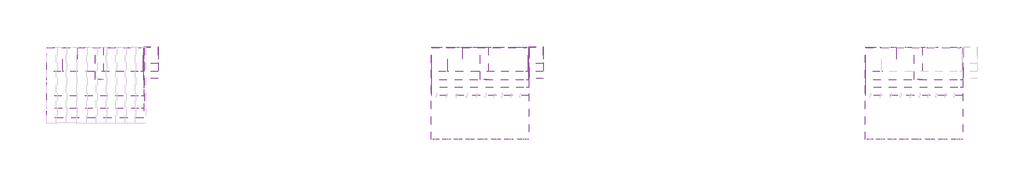
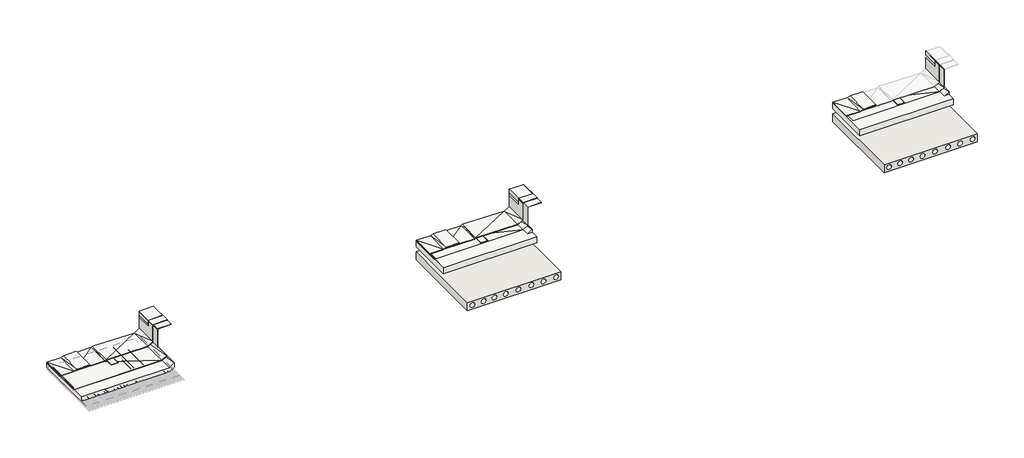
# One storey, part 1 of 2: 22 slabs, 11 walls, 1 covering.
"""IFC4 building model written with IfcOpenShell, lengths in millimetres."""

from ifc_helpers import new_model, si_unit, point, frame, frame_2d, origin, place, context, project, spatial, polyline, circle_curve, trimmed, segment, composite_curve, outline, extrude, faceted_brep, element, save

model = new_model("IFC4")

# Units and contexts
model_context = context("Model", 3, world=origin())
ifc_project = project(units=[si_unit("LENGTHUNIT", "METRE", prefix="MILLI")], contexts=[model_context])

# Site, building, storey
site = spatial("IfcSite", under=ifc_project)
building = spatial("IfcBuilding", under=site)
storey = spatial("IfcBuildingStorey", under=building, Elevation=0.0)

# Covering
placement = place(None, origin())
element("IfcCovering", 1, at=placement, inside=storey, context=model_context, shape_type="SweptSolid", body=[
    extrude(outline(polyline([(-14927.9698848, 9389.2447161), (-14927.9698848, 13789.2447161), (-8927.9698848, 13789.2447161), (-8927.9698848, 9389.2447161), (-14927.9698848, 9389.2447161)])), frame((0.0, 0.0, 2812.7066929), z_axis=(0.0, 0.0, 1.0), x_axis=(1.0, 0.0, 0.0)), (0.0, 0.0, 1.0), 14.0),
])

# Slabs
element("IfcSlab", 2, at=placement, inside=storey, context=model_context, shape_type="SweptSolid", body=[
    extrude(outline(polyline([(8835.4090394, 10769.2447161), (8835.4090394, 13769.2447161), (14835.4090394, 13769.2447161), (14835.4090394, 10769.2447161), (8835.4090394, 10769.2447161)])), frame((0.0, 0.0, 2689.492241), z_axis=(0.0, 0.0, 1.0), x_axis=(1.0, 0.0, 0.0)), (0.0, 0.0, 1.0), 400.0),
])
element("IfcSlab", 3, at=placement, inside=storey, context=model_context, shape_type="Brep", body=[
    faceted_brep([(8855.4090394, 13765.0643227, 2785.645861), (8855.4090394, 13765.0643227, 3085.645861), (14532.7395838, 13765.0643227, 3085.645861), (14855.4090394, 13765.0643227, 3265.645861), (14855.4090394, 13765.0643227, 2965.645861), (14532.7395838, 13765.0643227, 2785.645861), (14855.4090394, 11265.0643227, 3280.913375), (14855.4090394, 11265.0643227, 2980.913375), (14532.7395838, 11265.0643227, 3085.645861), (8855.4090394, 11265.0643227, 3085.645861), (8855.4090394, 11265.0643227, 2785.645861), (14532.7395838, 11265.0643227, 2785.645861)], [[[0, 1, 2, 3, 4, 5]], [[4, 3, 6, 7]], [[7, 6, 8, 9, 10, 11]], [[10, 9, 1, 0]], [[9, 8, 2, 1]], [[10, 0, 5, 11]], [[6, 3, 2]], [[6, 2, 8]], [[7, 5, 4]], [[7, 11, 5]]]),
])
element("IfcSlab", 4, at=placement, inside=storey, context=model_context, shape_type="Brep", body=[
    faceted_brep([(8835.4090394, 13746.0209417, 3078.492241), (8835.4090394, 13746.0209417, 3089.492241), (14511.4733946, 13746.0209417, 3089.492241), (14835.4090394, 13746.0209417, 3271.0184603), (14835.4090394, 13746.0209417, 3260.0184603), (14511.4733946, 13746.0209417, 3078.492241), (14835.4090394, 11746.0209417, 3296.0960774), (14835.4090394, 11746.0209417, 3285.0960774), (14511.4733946, 11746.0209417, 3106.0960774), (8835.4090394, 11746.0209417, 3089.492241), (8835.4090394, 11746.0209417, 3078.492241), (14511.4733946, 11746.0209417, 3095.0960774)], [[[0, 1, 2, 3, 4, 5]], [[4, 3, 6, 7]], [[7, 6, 8, 9, 10, 11]], [[10, 9, 1, 0]], [[9, 8, 1]], [[10, 0, 11]], [[6, 3, 2]], [[7, 5, 4]], [[6, 2, 8]], [[7, 11, 5]], [[1, 8, 2]], [[0, 5, 11]]]),
])
element("IfcSlab", 5, at=placement, inside=storey, context=model_context, shape_type="SweptSolid", body=[
    extrude(outline(polyline([(14835.4090394, 13817.1364417), (15735.4090394, 13817.1364417), (15735.4090394, 11817.1364417), (14835.4090394, 11817.1364417), (14835.4090394, 13817.1364417)])), frame((0.0, 0.0, 4471.3880309), z_axis=(0.0, 0.0, 1.0), x_axis=(1.0, 0.0, 0.0)), (0.0, 0.0, 1.0), 11.0),
])
element("IfcSlab", 6, at=placement, inside=storey, context=model_context, shape_type="Brep", body=[
    faceted_brep([(11835.4090394, 13769.2447161, 3107.4958172), (11835.4090394, 13769.2447161, 3118.4958172), (12249.2992075, 13769.2447161, 3118.4958172), (12335.4090394, 13769.2447161, 3084.492241), (12335.4090394, 13769.2447161, 3073.492241), (12249.2992075, 13769.2447161, 3107.4958172), (12335.4090394, 11769.2447161, 3094.7308109), (12335.4090394, 11769.2447161, 3083.7308109), (12249.2992075, 11769.2447161, 3118.4958172), (11835.4090394, 11769.2447161, 3118.4958172), (11835.4090394, 11769.2447161, 3107.4958172), (12249.2992075, 11769.2447161, 3107.4958172)], [[[0, 1, 2, 3, 4, 5]], [[4, 3, 6, 7]], [[7, 6, 8, 9, 10, 11]], [[10, 9, 1, 0]], [[9, 8, 2, 1]], [[10, 0, 5, 11]], [[6, 3, 8]], [[7, 11, 4]], [[3, 2, 8]], [[4, 11, 5]]]),
])
element("IfcSlab", 7, at=placement, inside=storey, context=model_context, shape_type="Brep", body=[
    faceted_brep([(9835.4090394, 13769.2447161, 3093.4958172), (9835.4090394, 13769.2447161, 3123.4958172), (11713.5480182, 13769.2447161, 3128.8674458), (11789.6551049, 13769.2447161, 3182.3981693), (14487.0088743, 13769.2447161, 3138.4958172), (14835.4090394, 13769.2447161, 3363.4958172), (14835.4090394, 13769.2447161, 3333.4958172), (14487.0088743, 13769.2447161, 3108.4958172), (11789.6551049, 13769.2447161, 3152.3981693), (11713.5480182, 13769.2447161, 3098.8674458), (14835.4090394, 12269.2447161, 3358.4958172), (14835.4090394, 12269.2447161, 3328.4958172), (14487.0088742, 12269.2447161, 3150.4261514), (11805.9231557, 12269.2447161, 3177.1635448), (11713.5480182, 12269.2447161, 3138.4958172), (9835.4090394, 12269.2447161, 3143.4958172), (9835.4090394, 12269.2447161, 3113.4958172), (11713.5480182, 12269.2447161, 3108.4958172), (11805.9231557, 12269.2447161, 3147.1635448), (14487.0088742, 12269.2447161, 3120.4261514)], [[[0, 1, 2, 3, 4, 5, 6, 7, 8, 9]], [[6, 5, 10, 11]], [[11, 10, 12, 13, 14, 15, 16, 17, 18, 19]], [[16, 15, 1, 0]], [[15, 14, 2]], [[16, 9, 17]], [[15, 2, 1]], [[10, 5, 4]], [[16, 0, 9]], [[11, 7, 6]], [[14, 13, 3]], [[17, 8, 18]], [[12, 4, 13]], [[19, 18, 7]], [[10, 4, 12]], [[11, 19, 7]], [[4, 3, 13]], [[7, 18, 8]], [[14, 3, 2]], [[17, 9, 8]]]),
])
element("IfcSlab", 8, at=placement, inside=storey, context=model_context, shape_type="SweptSolid", body=[
    extrude(outline(polyline([(14805.4090394, 13769.2447161), (15745.4090394, 13769.2447161), (15745.4090394, 12269.2447161), (14805.4090394, 12269.2447161), (14805.4090394, 13769.2447161)])), frame((0.0, 0.0, 4473.4902066), z_axis=(0.0, 0.0, 1.0), x_axis=(1.0, 0.0, 0.0)), (0.0, 0.0, 1.0), 30.0),
])
element("IfcSlab", 9, at=placement, inside=storey, context=model_context, shape_type="SweptSolid", body=[
    extrude(outline(polyline([(14805.4090394, 13769.2447161), (15705.4090394, 13769.2447161), (15705.4090394, 12769.2447161), (14805.4090394, 12769.2447161), (14805.4090394, 13769.2447161)])), frame((0.0, 0.0, 4118.4958172), z_axis=(0.0, 0.0, 1.0), x_axis=(1.0, 0.0, 0.0)), (0.0, 0.0, 1.0), 400.0),
])
element("IfcSlab", 10, at=placement, inside=storey, context=model_context, shape_type="Brep", body=[
    faceted_brep([(10735.4090394, 12269.2447161, 3168.4958172), (10735.4090394, 12269.2447161, 3198.4958172), (9902.4172289, 12269.2447161, 3198.4958172), (9713.9671645, 12269.2447161, 3128.4958172), (8835.4090394, 12269.2447161, 3123.4958172), (8835.4090394, 12269.2447161, 3093.4958172), (9713.9671645, 12269.2447161, 3098.4958172), (9902.4172289, 12269.2447161, 3168.4958172), (8835.4090394, 13769.2447161, 3123.4958172), (8835.4090394, 13769.2447161, 3093.4958172), (9757.9745418, 13769.2447161, 3123.4958172), (9939.073186, 13769.2447161, 3203.4958172), (10735.4090394, 13769.2447161, 3203.4958172), (10735.4090394, 13769.2447161, 3173.4958172), (9939.073186, 13769.2447161, 3173.4958172), (9757.9745418, 13769.2447161, 3093.4958172)], [[[0, 1, 2, 3, 4, 5, 6, 7]], [[5, 4, 8, 9]], [[9, 8, 10, 11, 12, 13, 14, 15]], [[13, 12, 1, 0]], [[12, 11, 2, 1]], [[13, 0, 7, 14]], [[8, 4, 3]], [[8, 3, 10]], [[3, 2, 10]], [[9, 6, 5]], [[9, 15, 6]], [[6, 15, 7]], [[10, 2, 11]], [[15, 14, 7]]]),
])
element("IfcSlab", 11, at=placement, inside=storey, context=model_context, shape_type="Brep", body=[
    faceted_brep([(-14924.9802693, 13765.0643227, 2822.1500438), (-14924.9802693, 13765.0643227, 3122.1500438), (-9247.6497248, 13765.0643227, 3122.1500438), (-8924.9802693, 13765.0643227, 3302.1500438), (-8924.9802693, 13765.0643227, 3002.1500438), (-9247.6497248, 13765.0643227, 2822.1500438), (-8924.9802693, 9965.0643227, 3317.4175578), (-8924.9802693, 9965.0643227, 3017.4175578), (-9247.6497248, 9965.0643227, 3122.1500438), (-14924.9802693, 9965.0643227, 3122.1500438), (-14924.9802693, 9965.0643227, 2822.1500438), (-9247.6497248, 9965.0643227, 2822.1500438)], [[[0, 1, 2, 3, 4, 5]], [[4, 3, 6, 7]], [[7, 6, 8, 9, 10, 11]], [[10, 9, 1, 0]], [[9, 8, 2, 1]], [[10, 0, 5, 11]], [[6, 3, 2]], [[6, 2, 8]], [[7, 5, 4]], [[7, 11, 5]]]),
])
element("IfcSlab", 12, at=placement, inside=storey, context=model_context, shape_type="Brep", body=[
    faceted_brep([(-14944.9802693, 13746.0209417, 3114.9964238), (-14944.9802693, 13746.0209417, 3125.9964238), (-9268.915914, 13746.0209417, 3125.9964238), (-8944.9802693, 13746.0209417, 3307.5226431), (-8944.9802693, 13746.0209417, 3296.5226431), (-9268.915914, 13746.0209417, 3114.9964238), (-8944.9802693, 10746.0209417, 3332.6002602), (-8944.9802693, 10746.0209417, 3321.6002602), (-9268.915914, 10746.0209417, 3142.6002602), (-14944.9802693, 10746.0209417, 3125.9964238), (-14944.9802693, 10746.0209417, 3114.9964238), (-9268.915914, 10746.0209417, 3131.6002602)], [[[0, 1, 2, 3, 4, 5]], [[4, 3, 6, 7]], [[7, 6, 8, 9, 10, 11]], [[10, 9, 1, 0]], [[9, 8, 1]], [[10, 0, 11]], [[6, 3, 2]], [[7, 5, 4]], [[6, 2, 8]], [[7, 11, 5]], [[1, 8, 2]], [[0, 5, 11]]]),
])
element("IfcSlab", 13, at=placement, inside=storey, context=model_context, shape_type="SweptSolid", body=[
    extrude(outline(polyline([(-8944.9802693, 13817.1364417), (-8044.9802693, 13817.1364417), (-8044.9802693, 11817.1364417), (-8944.9802693, 11817.1364417), (-8944.9802693, 13817.1364417)])), frame((0.0, 0.0, 4507.8922137), z_axis=(0.0, 0.0, 1.0), x_axis=(1.0, 0.0, 0.0)), (0.0, 0.0, 1.0), 11.0),
])
element("IfcSlab", 14, at=placement, inside=storey, context=model_context, shape_type="Brep", body=[
    faceted_brep([(-11944.9802693, 13769.2447161, 3144.0), (-11944.9802693, 13769.2447161, 3155.0), (-11531.0901012, 13769.2447161, 3155.0), (-11444.9802693, 13769.2447161, 3120.9964238), (-11444.9802693, 13769.2447161, 3109.9964238), (-11531.0901012, 13769.2447161, 3144.0), (-11444.9802693, 11769.2447161, 3131.2349937), (-11444.9802693, 11769.2447161, 3120.2349937), (-11531.0901012, 11769.2447161, 3155.0), (-11944.9802693, 11769.2447161, 3155.0), (-11944.9802693, 11769.2447161, 3144.0), (-11531.0901012, 11769.2447161, 3144.0)], [[[0, 1, 2, 3, 4, 5]], [[4, 3, 6, 7]], [[7, 6, 8, 9, 10, 11]], [[10, 9, 1, 0]], [[9, 8, 2, 1]], [[10, 0, 5, 11]], [[6, 3, 8]], [[7, 11, 4]], [[3, 2, 8]], [[4, 11, 5]]]),
])
element("IfcSlab", 15, at=placement, inside=storey, context=model_context, shape_type="Brep", body=[
    faceted_brep([(-13944.9802693, 13769.2447161, 3130.0), (-13944.9802693, 13769.2447161, 3160.0), (-12066.8412905, 13769.2447161, 3165.3716286), (-11990.7342038, 13769.2447161, 3218.9023521), (-9293.3804344, 13769.2447161, 3175.0), (-8944.9802693, 13769.2447161, 3400.0), (-8944.9802693, 13769.2447161, 3370.0), (-9293.3804344, 13769.2447161, 3145.0), (-11990.7342038, 13769.2447161, 3188.9023521), (-12066.8412905, 13769.2447161, 3135.3716286), (-8944.9802693, 12269.2447161, 3395.0), (-8944.9802693, 12269.2447161, 3365.0), (-9293.3804344, 12269.2447161, 3186.9303342), (-11974.466153, 12269.2447161, 3213.6677275), (-12066.8412905, 12269.2447161, 3175.0), (-13944.9802693, 12269.2447161, 3180.0), (-13944.9802693, 12269.2447161, 3150.0), (-12066.8412905, 12269.2447161, 3145.0), (-11974.466153, 12269.2447161, 3183.6677275), (-9293.3804344, 12269.2447161, 3156.9303342)], [[[0, 1, 2, 3, 4, 5, 6, 7, 8, 9]], [[6, 5, 10, 11]], [[11, 10, 12, 13, 14, 15, 16, 17, 18, 19]], [[16, 15, 1, 0]], [[15, 14, 2]], [[16, 9, 17]], [[15, 2, 1]], [[10, 5, 4]], [[16, 0, 9]], [[11, 7, 6]], [[14, 13, 3]], [[17, 8, 18]], [[12, 4, 13]], [[19, 18, 7]], [[10, 4, 12]], [[11, 19, 7]], [[4, 3, 13]], [[7, 18, 8]], [[14, 3, 2]], [[17, 9, 8]]]),
])
element("IfcSlab", 16, at=placement, inside=storey, context=model_context, shape_type="SweptSolid", body=[
    extrude(outline(polyline([(-8974.9802693, 13769.2447161), (-8034.9802693, 13769.2447161), (-8034.9802693, 12269.2447161), (-8974.9802693, 12269.2447161), (-8974.9802693, 13769.2447161)])), frame((0.0, 0.0, 4509.9943894), z_axis=(0.0, 0.0, 1.0), x_axis=(1.0, 0.0, 0.0)), (0.0, 0.0, 1.0), 30.0),
])
element("IfcSlab", 17, at=placement, inside=storey, context=model_context, shape_type="SweptSolid", body=[
    extrude(outline(polyline([(-8974.9802693, 13769.2447161), (-8074.9802693, 13769.2447161), (-8074.9802693, 12769.2447161), (-8974.9802693, 12769.2447161), (-8974.9802693, 13769.2447161)])), frame((0.0, 0.0, 4155.0), z_axis=(0.0, 0.0, 1.0), x_axis=(1.0, 0.0, 0.0)), (0.0, 0.0, 1.0), 400.0),
])
element("IfcSlab", 18, at=placement, inside=storey, context=model_context, shape_type="Brep", body=[
    faceted_brep([(-13044.9802693, 12269.2447161, 3205.0), (-13044.9802693, 12269.2447161, 3235.0), (-13877.9720797, 12269.2447161, 3235.0), (-14066.4221441, 12269.2447161, 3165.0), (-14944.9802693, 12269.2447161, 3160.0), (-14944.9802693, 12269.2447161, 3130.0), (-14066.4221441, 12269.2447161, 3135.0), (-13877.9720797, 12269.2447161, 3205.0), (-14944.9802693, 13769.2447161, 3160.0), (-14944.9802693, 13769.2447161, 3130.0), (-14022.4147668, 13769.2447161, 3160.0), (-13841.3161226, 13769.2447161, 3240.0), (-13044.9802693, 13769.2447161, 3240.0), (-13044.9802693, 13769.2447161, 3210.0), (-13841.3161226, 13769.2447161, 3210.0), (-14022.4147668, 13769.2447161, 3130.0)], [[[0, 1, 2, 3, 4, 5, 6, 7]], [[5, 4, 8, 9]], [[9, 8, 10, 11, 12, 13, 14, 15]], [[13, 12, 1, 0]], [[12, 11, 2, 1]], [[13, 0, 7, 14]], [[8, 4, 3]], [[8, 3, 10]], [[3, 2, 10]], [[9, 6, 5]], [[9, 15, 6]], [[6, 15, 7]], [[10, 2, 11]], [[15, 14, 7]]]),
])
element("IfcSlab", 19, at=placement, inside=storey, context=model_context, shape_type="SweptSolid", body=[
    extrude(outline(polyline([(35635.4090394, 10769.2447161), (35635.4090394, 13769.2447161), (41635.4090394, 13769.2447161), (41635.4090394, 10769.2447161), (35635.4090394, 10769.2447161)])), frame((0.0, 0.0, 2689.492241), z_axis=(0.0, 0.0, 1.0), x_axis=(1.0, 0.0, 0.0)), (0.0, 0.0, 1.0), 400.0),
])
element("IfcSlab", 20, at=placement, inside=storey, context=model_context, shape_type="Brep", body=[
    faceted_brep([(35655.4090394, 13765.0643227, 2785.645861), (35655.4090394, 13765.0643227, 3085.645861), (41332.7395838, 13765.0643227, 3085.645861), (41655.4090394, 13765.0643227, 3265.645861), (41655.4090394, 13765.0643227, 2965.645861), (41332.7395838, 13765.0643227, 2785.645861), (41655.4090394, 11265.0643227, 3280.913375), (41655.4090394, 11265.0643227, 2980.913375), (41332.7395838, 11265.0643227, 3085.645861), (35655.4090394, 11265.0643227, 3085.645861), (35655.4090394, 11265.0643227, 2785.645861), (41332.7395838, 11265.0643227, 2785.645861)], [[[0, 1, 2, 3, 4, 5]], [[4, 3, 6, 7]], [[7, 6, 8, 9, 10, 11]], [[10, 9, 1, 0]], [[9, 8, 2, 1]], [[10, 0, 5, 11]], [[6, 3, 2]], [[6, 2, 8]], [[7, 5, 4]], [[7, 11, 5]]]),
])
element("IfcSlab", 21, at=placement, inside=storey, context=model_context, shape_type="Brep", body=[
    faceted_brep([(35635.4090394, 13746.0209417, 3078.492241), (35635.4090394, 13746.0209417, 3089.492241), (41311.4733946, 13746.0209417, 3089.492241), (41635.4090394, 13746.0209417, 3271.0184603), (41635.4090394, 13746.0209417, 3260.0184603), (41311.4733946, 13746.0209417, 3078.492241), (41635.4090394, 11746.0209417, 3296.0960774), (41635.4090394, 11746.0209417, 3285.0960774), (41311.4733946, 11746.0209417, 3106.0960774), (35635.4090394, 11746.0209417, 3089.492241), (35635.4090394, 11746.0209417, 3078.492241), (41311.4733946, 11746.0209417, 3095.0960774)], [[[0, 1, 2, 3, 4, 5]], [[4, 3, 6, 7]], [[7, 6, 8, 9, 10, 11]], [[10, 9, 1, 0]], [[9, 8, 1]], [[10, 0, 11]], [[6, 3, 2]], [[7, 5, 4]], [[6, 2, 8]], [[7, 11, 5]], [[1, 8, 2]], [[0, 5, 11]]]),
])
element("IfcSlab", 22, at=placement, inside=storey, context=model_context, shape_type="Brep", body=[
    faceted_brep([(38635.4090394, 13769.2447161, 3107.4958172), (38635.4090394, 13769.2447161, 3118.4958172), (39049.2992075, 13769.2447161, 3118.4958172), (39135.4090394, 13769.2447161, 3084.492241), (39135.4090394, 13769.2447161, 3073.492241), (39049.2992075, 13769.2447161, 3107.4958172), (39135.4090394, 11769.2447161, 3094.7308109), (39135.4090394, 11769.2447161, 3083.7308109), (39049.2992075, 11769.2447161, 3118.4958172), (38635.4090394, 11769.2447161, 3118.4958172), (38635.4090394, 11769.2447161, 3107.4958172), (39049.2992075, 11769.2447161, 3107.4958172)], [[[0, 1, 2, 3, 4, 5]], [[4, 3, 6, 7]], [[7, 6, 8, 9, 10, 11]], [[10, 9, 1, 0]], [[9, 8, 2, 1]], [[10, 0, 5, 11]], [[6, 3, 8]], [[7, 11, 4]], [[3, 2, 8]], [[4, 11, 5]]]),
])
element("IfcSlab", 23, at=placement, inside=storey, context=model_context, shape_type="Brep", body=[
    faceted_brep([(37535.4090394, 12269.2447161, 3168.4958172), (37535.4090394, 12269.2447161, 3198.4958172), (36702.4172289, 12269.2447161, 3198.4958172), (36513.9671645, 12269.2447161, 3128.4958172), (35635.4090394, 12269.2447161, 3123.4958172), (35635.4090394, 12269.2447161, 3093.4958172), (36513.9671645, 12269.2447161, 3098.4958172), (36702.4172289, 12269.2447161, 3168.4958172), (35635.4090394, 13769.2447161, 3123.4958172), (35635.4090394, 13769.2447161, 3093.4958172), (36557.9745418, 13769.2447161, 3123.4958172), (36739.073186, 13769.2447161, 3203.4958172), (37535.4090394, 13769.2447161, 3203.4958172), (37535.4090394, 13769.2447161, 3173.4958172), (36739.073186, 13769.2447161, 3173.4958172), (36557.9745418, 13769.2447161, 3093.4958172)], [[[0, 1, 2, 3, 4, 5, 6, 7]], [[5, 4, 8, 9]], [[9, 8, 10, 11, 12, 13, 14, 15]], [[13, 12, 1, 0]], [[12, 11, 2, 1]], [[13, 0, 7, 14]], [[8, 4, 3]], [[8, 3, 10]], [[3, 2, 10]], [[9, 6, 5]], [[9, 15, 6]], [[6, 15, 7]], [[10, 2, 11]], [[15, 14, 7]]]),
])

# Walls
element("IfcWall", 24, at=placement, inside=storey, context=model_context, shape_type="SweptSolid", body=[
    extrude(outline(polyline([(14825.4090394, 11746.0209417), (14825.4090394, 13769.2447161), (14835.4090394, 13769.2447161), (14835.4090394, 11746.0209417), (14825.4090394, 11746.0209417)])), frame((0.0, 0.0, 3117.4175578), z_axis=(0.0, 0.0, 1.0), x_axis=(1.0, 0.0, 0.0)), (0.0, 0.0, 1.0), 1401.474656),
])
element("IfcWall", 25, at=placement, inside=storey, context=model_context, shape_type="SweptSolid", body=[
    extrude(outline(polyline([(14810.4090394, 12269.2447161), (14810.4090394, 13769.2447161), (14820.4090394, 13769.2447161), (14820.4090394, 12269.2447161), (14810.4090394, 12269.2447161)])), frame((0.0, 0.0, 3363.0551707), z_axis=(0.0, 0.0, 1.0), x_axis=(1.0, 0.0, 0.0)), (0.0, 0.0, 1.0), 1155.837043),
])
element("IfcWall", 26, at=placement, inside=storey, context=model_context, shape_type="SweptSolid", body=[
    extrude(outline(polyline([(14800.4090394, 12769.2447161), (14800.4090394, 13769.2447161), (14810.4090394, 13769.2447161), (14810.4090394, 12769.2447161), (14800.4090394, 12769.2447161)])), frame((0.0, 0.0, 4283.0469309), z_axis=(0.0, 0.0, 1.0), x_axis=(1.0, 0.0, 0.0)), (0.0, 0.0, 1.0), 256.9474584),
])
element("IfcWall", 27, at=placement, inside=storey, context=model_context, shape_type="SweptSolid", body=[
    extrude(outline(polyline([(1831.9279407, 14825.4090394), (2375.4420627, 14825.4090394), (2375.4420627, 8817.2384277), (1831.9279407, 8817.2384277), (1831.9279407, 14825.4090394)]), holes=[composite_curve([segment(trimmed(circle_curve(frame_2d((2103.2464683, 9139.2971211)), 160.0), [point((2103.2464683, 8979.2971211))], [point((2103.2464683, 9299.2971211))], True, "CARTESIAN"), True, "CONTINUOUS"), segment(trimmed(circle_curve(frame_2d((2103.2464683, 9139.2971211)), 160.0), [point((2103.2464683, 9299.2971211))], [point((2103.2464683, 8979.2971211))], True, "CARTESIAN"), True, "CONTINUOUS")], self_intersect=False), composite_curve([segment(trimmed(circle_curve(frame_2d((2103.2464683, 9859.2971211)), 160.0), [point((2103.2464683, 9699.2971211))], [point((2103.2464683, 10019.2971211))], True, "CARTESIAN"), True, "CONTINUOUS"), segment(trimmed(circle_curve(frame_2d((2103.2464683, 9859.2971211)), 160.0), [point((2103.2464683, 10019.2971211))], [point((2103.2464683, 9699.2971211))], True, "CARTESIAN"), True, "CONTINUOUS")], self_intersect=False), composite_curve([segment(trimmed(circle_curve(frame_2d((2103.2464683, 10559.2971211)), 160.0), [point((2103.2464683, 10399.2971211))], [point((2103.2464683, 10719.2971211))], True, "CARTESIAN"), True, "CONTINUOUS"), segment(trimmed(circle_curve(frame_2d((2103.2464683, 10559.2971211)), 160.0), [point((2103.2464683, 10719.2971211))], [point((2103.2464683, 10399.2971211))], True, "CARTESIAN"), True, "CONTINUOUS")], self_intersect=False), composite_curve([segment(trimmed(circle_curve(frame_2d((2103.2464683, 11299.2971211)), 160.0), [point((2103.2464683, 11139.2971211))], [point((2103.2464683, 11459.2971211))], True, "CARTESIAN"), True, "CONTINUOUS"), segment(trimmed(circle_curve(frame_2d((2103.2464683, 11299.2971211)), 160.0), [point((2103.2464683, 11459.2971211))], [point((2103.2464683, 11139.2971211))], True, "CARTESIAN"), True, "CONTINUOUS")], self_intersect=False), composite_curve([segment(trimmed(circle_curve(frame_2d((2115.2667994, 12099.2971211)), 160.0), [point((2115.2667994, 11939.2971211))], [point((2115.2667994, 12259.2971211))], True, "CARTESIAN"), True, "CONTINUOUS"), segment(trimmed(circle_curve(frame_2d((2115.2667994, 12099.2971211)), 160.0), [point((2115.2667994, 12259.2971211))], [point((2115.2667994, 11939.2971211))], True, "CARTESIAN"), True, "CONTINUOUS")], self_intersect=False), composite_curve([segment(trimmed(circle_curve(frame_2d((2115.2667994, 12939.2971211)), 160.0), [point((2115.2667994, 12779.2971211))], [point((2115.2667994, 13099.2971211))], True, "CARTESIAN"), True, "CONTINUOUS"), segment(trimmed(circle_curve(frame_2d((2115.2667994, 12939.2971211)), 160.0), [point((2115.2667994, 13099.2971211))], [point((2115.2667994, 12779.2971211))], True, "CARTESIAN"), True, "CONTINUOUS")], self_intersect=False), composite_curve([segment(trimmed(circle_curve(frame_2d((2103.8953114, 13716.0163729)), 160.0), [point((2103.8953114, 13556.0163729))], [point((2103.8953114, 13876.0163729))], True, "CARTESIAN"), True, "CONTINUOUS"), segment(trimmed(circle_curve(frame_2d((2103.8953114, 13716.0163729)), 160.0), [point((2103.8953114, 13876.0163729))], [point((2103.8953114, 13556.0163729))], True, "CARTESIAN"), True, "CONTINUOUS")], self_intersect=False), composite_curve([segment(trimmed(circle_curve(frame_2d((2103.2464683, 14519.2971211)), 160.0), [point((2103.2464683, 14359.2971211))], [point((2103.2464683, 14679.2971211))], True, "CARTESIAN"), True, "CONTINUOUS"), segment(trimmed(circle_curve(frame_2d((2103.2464683, 14519.2971211)), 160.0), [point((2103.2464683, 14679.2971211))], [point((2103.2464683, 14359.2971211))], True, "CARTESIAN"), True, "CONTINUOUS")], self_intersect=False)]), frame((0.0, 8049.2447161, 0.0), z_axis=(0.0, 1.0, 0.0), x_axis=(0.0, 0.0, 1.0)), (0.0, 0.0, 1.0), 5720.0),
])
element("IfcWall", 28, at=placement, inside=storey, context=model_context, shape_type="SweptSolid", body=[
    extrude(outline(polyline([(-8954.9802693, 11746.0209417), (-8954.9802693, 13769.2447161), (-8944.9802693, 13769.2447161), (-8944.9802693, 11746.0209417), (-8954.9802693, 11746.0209417)])), frame((0.0, 0.0, 3117.4175578), z_axis=(0.0, 0.0, 1.0), x_axis=(1.0, 0.0, 0.0)), (0.0, 0.0, 1.0), 1401.474656),
])
element("IfcWall", 29, at=placement, inside=storey, context=model_context, shape_type="SweptSolid", body=[
    extrude(outline(polyline([(-8969.9802693, 12269.2447161), (-8969.9802693, 13769.2447161), (-8959.9802693, 13769.2447161), (-8959.9802693, 12269.2447161), (-8969.9802693, 12269.2447161)])), frame((0.0, 0.0, 3363.0551707), z_axis=(0.0, 0.0, 1.0), x_axis=(1.0, 0.0, 0.0)), (0.0, 0.0, 1.0), 1155.837043),
])
element("IfcWall", 30, at=placement, inside=storey, context=model_context, shape_type="SweptSolid", body=[
    extrude(outline(polyline([(-8979.9802693, 12769.2447161), (-8979.9802693, 13769.2447161), (-8969.9802693, 13769.2447161), (-8969.9802693, 12769.2447161), (-8979.9802693, 12769.2447161)])), frame((0.0, 0.0, 4283.0469309), z_axis=(0.0, 0.0, 1.0), x_axis=(1.0, 0.0, 0.0)), (0.0, 0.0, 1.0), 256.9474584),
])
element("IfcWall", 31, at=placement, inside=storey, context=model_context, shape_type="SweptSolid", body=[
    extrude(outline(polyline([(41625.4090394, 11746.0209417), (41625.4090394, 13769.2447161), (41635.4090394, 13769.2447161), (41635.4090394, 11746.0209417), (41625.4090394, 11746.0209417)])), frame((0.0, 0.0, 3117.4175578), z_axis=(0.0, 0.0, 1.0), x_axis=(1.0, 0.0, 0.0)), (0.0, 0.0, 1.0), 1401.474656),
])
element("IfcWall", 32, at=placement, inside=storey, context=model_context, shape_type="SweptSolid", body=[
    extrude(outline(polyline([(41610.4090394, 12269.2447161), (41610.4090394, 13769.2447161), (41620.4090394, 13769.2447161), (41620.4090394, 12269.2447161), (41610.4090394, 12269.2447161)])), frame((0.0, 0.0, 3363.0551707), z_axis=(0.0, 0.0, 1.0), x_axis=(1.0, 0.0, 0.0)), (0.0, 0.0, 1.0), 1155.837043),
])
element("IfcWall", 33, at=placement, inside=storey, context=model_context, shape_type="SweptSolid", body=[
    extrude(outline(polyline([(41600.4090394, 12769.2447161), (41600.4090394, 13769.2447161), (41610.4090394, 13769.2447161), (41610.4090394, 12769.2447161), (41600.4090394, 12769.2447161)])), frame((0.0, 0.0, 4283.0469309), z_axis=(0.0, 0.0, 1.0), x_axis=(1.0, 0.0, 0.0)), (0.0, 0.0, 1.0), 256.9474584),
])
element("IfcWall", 34, at=placement, inside=storey, context=model_context, shape_type="SweptSolid", body=[
    extrude(outline(polyline([(1831.9279407, 41625.4090394), (2375.4420627, 41625.4090394), (2375.4420627, 35617.2384277), (1831.9279407, 35617.2384277), (1831.9279407, 41625.4090394)]), holes=[composite_curve([segment(trimmed(circle_curve(frame_2d((2103.2464683, 35939.2971211)), 160.0), [point((2103.2464683, 35779.2971211))], [point((2103.2464683, 36099.2971211))], True, "CARTESIAN"), True, "CONTINUOUS"), segment(trimmed(circle_curve(frame_2d((2103.2464683, 35939.2971211)), 160.0), [point((2103.2464683, 36099.2971211))], [point((2103.2464683, 35779.2971211))], True, "CARTESIAN"), True, "CONTINUOUS")], self_intersect=False), composite_curve([segment(trimmed(circle_curve(frame_2d((2103.2464683, 36659.2971211)), 160.0), [point((2103.2464683, 36499.2971211))], [point((2103.2464683, 36819.2971211))], True, "CARTESIAN"), True, "CONTINUOUS"), segment(trimmed(circle_curve(frame_2d((2103.2464683, 36659.2971211)), 160.0), [point((2103.2464683, 36819.2971211))], [point((2103.2464683, 36499.2971211))], True, "CARTESIAN"), True, "CONTINUOUS")], self_intersect=False), composite_curve([segment(trimmed(circle_curve(frame_2d((2103.2464683, 37359.2971211)), 160.0), [point((2103.2464683, 37199.2971211))], [point((2103.2464683, 37519.2971211))], True, "CARTESIAN"), True, "CONTINUOUS"), segment(trimmed(circle_curve(frame_2d((2103.2464683, 37359.2971211)), 160.0), [point((2103.2464683, 37519.2971211))], [point((2103.2464683, 37199.2971211))], True, "CARTESIAN"), True, "CONTINUOUS")], self_intersect=False), composite_curve([segment(trimmed(circle_curve(frame_2d((2103.2464683, 38099.2971211)), 160.0), [point((2103.2464683, 37939.2971211))], [point((2103.2464683, 38259.2971211))], True, "CARTESIAN"), True, "CONTINUOUS"), segment(trimmed(circle_curve(frame_2d((2103.2464683, 38099.2971211)), 160.0), [point((2103.2464683, 38259.2971211))], [point((2103.2464683, 37939.2971211))], True, "CARTESIAN"), True, "CONTINUOUS")], self_intersect=False), composite_curve([segment(trimmed(circle_curve(frame_2d((2115.2667994, 38899.2971211)), 160.0), [point((2115.2667994, 38739.2971211))], [point((2115.2667994, 39059.2971211))], True, "CARTESIAN"), True, "CONTINUOUS"), segment(trimmed(circle_curve(frame_2d((2115.2667994, 38899.2971211)), 160.0), [point((2115.2667994, 39059.2971211))], [point((2115.2667994, 38739.2971211))], True, "CARTESIAN"), True, "CONTINUOUS")], self_intersect=False), composite_curve([segment(trimmed(circle_curve(frame_2d((2115.2667994, 39739.2971211)), 160.0), [point((2115.2667994, 39579.2971211))], [point((2115.2667994, 39899.2971211))], True, "CARTESIAN"), True, "CONTINUOUS"), segment(trimmed(circle_curve(frame_2d((2115.2667994, 39739.2971211)), 160.0), [point((2115.2667994, 39899.2971211))], [point((2115.2667994, 39579.2971211))], True, "CARTESIAN"), True, "CONTINUOUS")], self_intersect=False), composite_curve([segment(trimmed(circle_curve(frame_2d((2103.8953114, 40516.0163729)), 160.0), [point((2103.8953114, 40356.0163729))], [point((2103.8953114, 40676.0163729))], True, "CARTESIAN"), True, "CONTINUOUS"), segment(trimmed(circle_curve(frame_2d((2103.8953114, 40516.0163729)), 160.0), [point((2103.8953114, 40676.0163729))], [point((2103.8953114, 40356.0163729))], True, "CARTESIAN"), True, "CONTINUOUS")], self_intersect=False), composite_curve([segment(trimmed(circle_curve(frame_2d((2103.2464683, 41319.2971211)), 160.0), [point((2103.2464683, 41159.2971211))], [point((2103.2464683, 41479.2971211))], True, "CARTESIAN"), True, "CONTINUOUS"), segment(trimmed(circle_curve(frame_2d((2103.2464683, 41319.2971211)), 160.0), [point((2103.2464683, 41479.2971211))], [point((2103.2464683, 41159.2971211))], True, "CARTESIAN"), True, "CONTINUOUS")], self_intersect=False)]), frame((0.0, 8049.2447161, 0.0), z_axis=(0.0, 1.0, 0.0), x_axis=(0.0, 0.0, 1.0)), (0.0, 0.0, 1.0), 5720.0),
])

save(model, "model.ifc")
